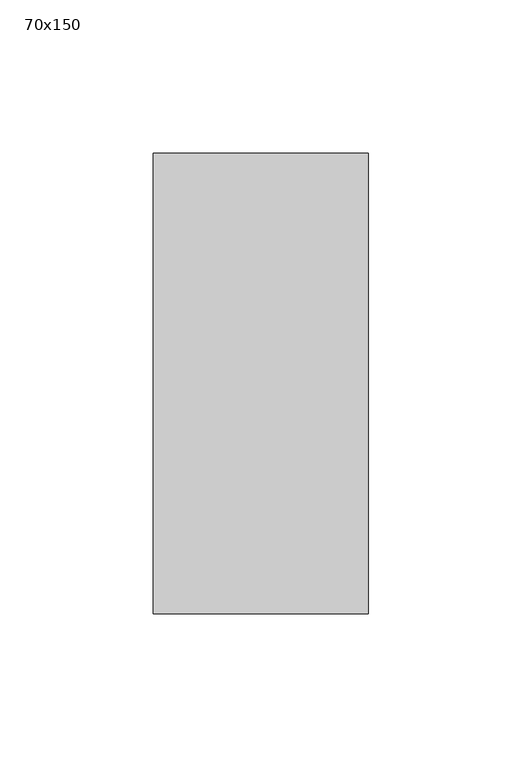
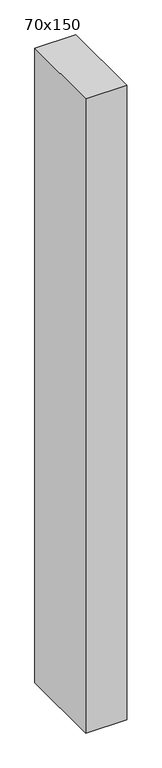
"""IFC4 building model written with IfcOpenShell, lengths in millimetres: member geometry, 70x150."""

from ifc_helpers import new_model, si_unit, frame, origin, place, context, project, spatial, polyline, outline, extrude, source, transform, mapped, element, save


def member_70x150_65f8fb8c(model_context):
    return source(origin(), model_context, "Body", "SweptSolid", [
        extrude(outline(polyline([(0.0, 75.0), (0.0, -75.0), (-70.0, -75.0), (-70.0, 75.0), (0.0, 75.0)])), frame((0.0, 0.0, -1145.0), z_axis=(0.0, 0.0, 1.0), x_axis=(1.0, 0.0, 0.0)), (0.0, 0.0, 1.0), 1145.0),
    ])


if __name__ == "__main__":
    model = new_model("IFC4")
    model_context = context("Model", 3, world=origin())
    ifc_project = project(units=[si_unit("LENGTHUNIT", "METRE", prefix="MILLI")], contexts=[model_context])
    site = spatial("IfcSite", under=ifc_project)
    building = spatial("IfcBuilding", under=site)
    placement = place(None, origin())
    member_70x150_shape = member_70x150_65f8fb8c(model_context)
    element("IfcMember", 1, ObjectType="70x150", at=placement, inside=building, context=model_context, shape_type="MappedRepresentation", body=[
        mapped(member_70x150_shape, transform((0.0, 0.0, 0.0), x_axis=(1.0, 0.0, 0.0), y_axis=(0.0, 1.0, 0.0), z_axis=(0.0, 0.0, 1.0))),
    ])
    save(model, "model.ifc")
